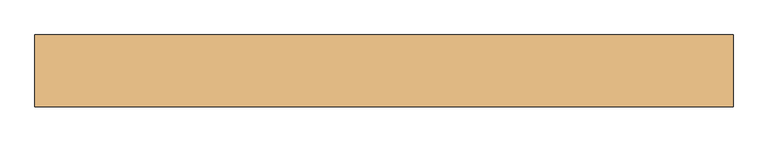
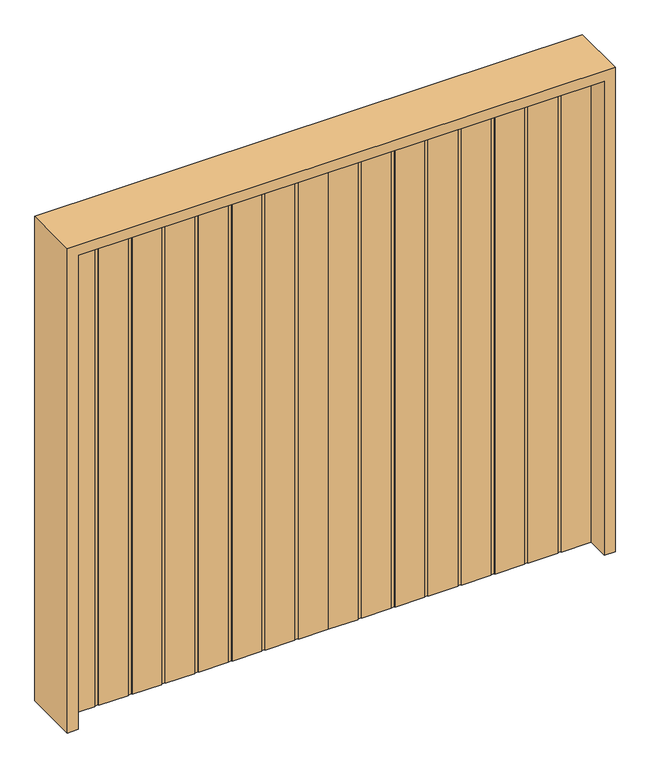
"""IFC4 building model written with IfcOpenShell, lengths in millimetres: door geometry."""

from ifc_helpers import new_model, si_unit, frame, origin, origin_with_axes, place, context, project, spatial, polyline, outline, extrude, source, transform, mapped, element, save


def door_bb14db7e(model_context):
    return source(origin(), model_context, "Body", "SweptSolid", [
        extrude(outline(polyline([(0.0, 22.225), (0.0, -22.225), (-120.1539063, -22.225), (-120.1539063, -19.05), (-135.4335938, -19.05), (-135.4335938, -22.225), (-255.3559896, -22.225), (-255.3559896, -19.05), (-270.6356771, -19.05), (-270.6356771, -22.225), (-390.5580729, -22.225), (-390.5580729, -19.05), (-405.8377604, -19.05), (-405.8377604, -22.225), (-525.7601563, -22.225), (-525.7601563, -19.05), (-541.0398438, -19.05), (-541.0398438, -22.225), (-660.9622396, -22.225), (-660.9622396, -19.05), (-676.2419271, -19.05), (-676.2419271, -22.225), (-796.1643229, -22.225), (-796.1643229, -19.05), (-811.4440104, -19.05), (-811.4440104, -22.225), (-931.3664063, -22.225), (-931.3664063, -19.05), (-946.6460938, -19.05), (-946.6460938, -22.225), (-1066.8, -22.225), (-1066.8, 22.225), (-946.6460938, 22.225), (-946.6460938, 19.05), (-931.3664063, 19.05), (-931.3664063, 22.225), (-811.4440104, 22.225), (-811.4440104, 19.05), (-796.1643229, 19.05), (-796.1643229, 22.225), (-676.2419271, 22.225), (-676.2419271, 19.05), (-660.9622396, 19.05), (-660.9622396, 22.225), (-541.0398438, 22.225), (-541.0398438, 19.05), (-525.7601563, 19.05), (-525.7601563, 22.225), (-405.8377604, 22.225), (-405.8377604, 19.05), (-390.5580729, 19.05), (-390.5580729, 22.225), (-270.6356771, 22.225), (-270.6356771, 19.05), (-255.3559896, 19.05), (-255.3559896, 22.225), (-135.4335938, 22.225), (-135.4335938, 19.05), (-120.1539063, 19.05), (-120.1539063, 22.225), (0.0, 22.225)])), origin_with_axes(), (0.0, 0.0, 1.0), 2032.0),
        extrude(outline(polyline([(0.0, 22.225), (120.1539062, 22.225), (120.1539062, 19.05), (135.4335937, 19.05), (135.4335937, 22.225), (255.3559896, 22.225), (255.3559896, 19.05), (270.6356771, 19.05), (270.6356771, 22.225), (390.5580729, 22.225), (390.5580729, 19.05), (405.8377604, 19.05), (405.8377604, 22.225), (525.7601562, 22.225), (525.7601562, 19.05), (541.0398437, 19.05), (541.0398437, 22.225), (660.9622396, 22.225), (660.9622396, 19.05), (676.2419271, 19.05), (676.2419271, 22.225), (796.1643229, 22.225), (796.1643229, 19.05), (811.4440104, 19.05), (811.4440104, 22.225), (931.3664062, 22.225), (931.3664062, 19.05), (946.6460937, 19.05), (946.6460937, 22.225), (1066.8, 22.225), (1066.8, -22.225), (946.6460937, -22.225), (946.6460937, -19.05), (931.3664062, -19.05), (931.3664062, -22.225), (811.4440104, -22.225), (811.4440104, -19.05), (796.1643229, -19.05), (796.1643229, -22.225), (676.2419271, -22.225), (676.2419271, -19.05), (660.9622396, -19.05), (660.9622396, -22.225), (541.0398437, -22.225), (541.0398437, -19.05), (525.7601562, -19.05), (525.7601562, -22.225), (405.8377604, -22.225), (405.8377604, -19.05), (390.5580729, -19.05), (390.5580729, -22.225), (270.6356771, -22.225), (270.6356771, -19.05), (255.3559896, -19.05), (255.3559896, -22.225), (135.4335937, -22.225), (135.4335937, -19.05), (120.1539062, -19.05), (120.1539062, -22.225), (0.0, -22.225), (0.0, 22.225)])), origin_with_axes(), (0.0, 0.0, 1.0), 2032.0),
        extrude(outline(polyline([(0.0, -1111.25), (0.0, -1066.8), (2032.0, -1066.8), (2032.0, 1066.8), (0.0, 1066.8), (0.0, 1111.25), (2076.45, 1111.25), (2076.45, -1111.25), (0.0, -1111.25)])), frame((0.0, -114.3, 0.0), z_axis=(0.0, 1.0, 0.0), x_axis=(0.0, 0.0, 1.0)), (0.0, 0.0, 1.0), 228.6),
    ])


if __name__ == "__main__":
    model = new_model("IFC4")
    model_context = context("Model", 3, world=origin())
    ifc_project = project(units=[si_unit("LENGTHUNIT", "METRE", prefix="MILLI")], contexts=[model_context])
    site = spatial("IfcSite", under=ifc_project)
    building = spatial("IfcBuilding", under=site)
    placement = place(None, origin())
    door_shape = door_bb14db7e(model_context)
    element("IfcDoor", 1, at=placement, inside=building, context=model_context, shape_type="MappedRepresentation", body=[
        mapped(door_shape, transform((0.0, 0.0, 0.0), x_axis=(1.0, 0.0, 0.0), y_axis=(0.0, 1.0, 0.0), z_axis=(0.0, 0.0, 1.0))),
    ])
    save(model, "model.ifc")
